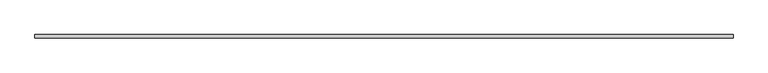
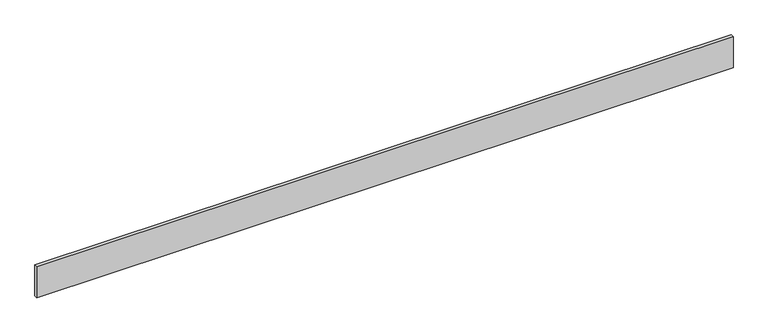
"""IFC4 building model written with IfcOpenShell, lengths in millimetres: furniture geometry."""

import ifcopenshell
import ifcopenshell.guid

model = None  # the IFC model being written
_history = None  # IfcOwnerHistory: only IFC2X3 demands one
_inside = {}  # id of a spatial element -> (the spatial element, [elements in it])
_under = {}  # id of a project, library or spatial element -> (it, [spatial elements below it])
_declared = {}  # id of a project -> (the project, [libraries it declares])
_typed = {}  # id of a type object -> (the type object, [elements of that type])
_made_of = {}  # id of a material, layer set ... -> (it, [elements and type objects made of it])


def new_model(schema):
    """Start an empty IFC model of exactly this schema.

    Asked for "IFC4X3", IfcOpenShell would pick the latest addendum, in which some entities
    have other attributes; the version numbers below select the first issue.
    IFC2X3 requires an IfcOwnerHistory on every rooted entity: one is made here for all.
    """
    global model, _history
    if schema == "IFC4X3":
        model = ifcopenshell.file(schema_version=(4, 3, 0, 0))
    else:
        model = ifcopenshell.file(schema=schema)
    _inside.clear()
    _under.clear()
    _declared.clear()
    _typed.clear()
    _made_of.clear()
    _history = None
    if model.schema == "IFC2X3":
        org = make("IfcOrganization", Name="unknown")
        user = make(
            "IfcPersonAndOrganization",
            ThePerson=make("IfcPerson", FamilyName="unknown"),
            TheOrganization=org,
        )
        app = make(
            "IfcApplication",
            ApplicationDeveloper=org,
            Version="unknown",
            ApplicationFullName="unknown",
            ApplicationIdentifier="unknown",
        )
        _history = make(
            "IfcOwnerHistory",
            OwningUser=user,
            OwningApplication=app,
            ChangeAction="ADDED",
            CreationDate=0,
        )
    return model


def make(cls, **values):
    """One entity of the class cls with the attributes given. An attribute that is None is left unset."""
    return model.create_entity(
        cls, **{name: value for name, value in values.items() if value is not None}
    )


def rooted(cls, **values):
    """An entity with a GlobalId (a new one), such as an element, a storey or a relation."""
    return make(cls, GlobalId=ifcopenshell.guid.new(), OwnerHistory=_history, **values)


def si_unit(unit_type, name, prefix=None):
    """IfcSIUnit, for example si_unit("LENGTHUNIT", "METRE", prefix="MILLI")."""
    return make("IfcSIUnit", UnitType=unit_type, Prefix=prefix, Name=name)


def assignment(units):
    """IfcUnitAssignment: the units of a project."""
    return None if units is None else make("IfcUnitAssignment", Units=units)


def point(xyz):
    """IfcCartesianPoint."""
    return None if xyz is None else make("IfcCartesianPoint", Coordinates=xyz)


def direction(xyz):
    """IfcDirection."""
    return None if xyz is None else make("IfcDirection", DirectionRatios=xyz)


def frame(location, z_axis=None, x_axis=None):
    """IfcAxis2Placement3D, a coordinate frame: its origin and axes. An axis left out is left unset."""
    return make(
        "IfcAxis2Placement3D",
        Location=point(location),
        Axis=direction(z_axis),
        RefDirection=direction(x_axis),
    )


def origin():
    """The frame at (0, 0, 0) with its axes left unset."""
    return frame((0.0, 0.0, 0.0))


def origin_with_axes():
    """The frame at (0, 0, 0) with the z axis (0, 0, 1) and the x axis (1, 0, 0) written out."""
    return frame((0.0, 0.0, 0.0), z_axis=(0.0, 0.0, 1.0), x_axis=(1.0, 0.0, 0.0))


def place(relative_to, where):
    """IfcLocalPlacement: puts the frame where relative to a parent placement (None: the world)."""
    return make(
        "IfcLocalPlacement", PlacementRelTo=relative_to, RelativePlacement=where
    )


def context(
    kind, dimensions, precision=None, world=None, true_north=None, identifier=None
):
    """IfcGeometricRepresentationContext, for example the 3D "Model" context."""
    return make(
        "IfcGeometricRepresentationContext",
        ContextIdentifier=identifier,
        ContextType=kind,
        CoordinateSpaceDimension=dimensions,
        Precision=precision,
        WorldCoordinateSystem=world,
        TrueNorth=true_north,
    )


def project(units=None, contexts=None):
    """IfcProject with its units and contexts."""
    return rooted(
        "IfcProject",
        Name="project",
        RepresentationContexts=contexts,
        UnitsInContext=assignment(units),
    )


def spatial(cls, under=None, at=None, **own):
    """A site, building, storey or space (cls), placed at a placement, below another one or the project."""
    s = rooted(cls, ObjectPlacement=at, **own)
    if under is not None:
        _under.setdefault(under.id(), (under, []))[1].append(s)
    return s


def polyline(points):
    """IfcPolyline through the points."""
    return make("IfcPolyline", Points=[point(p) for p in points])


def outline(outer, holes=None, kind="AREA"):
    """IfcArbitraryClosedProfileDef: a profile drawn as a closed curve; with holes, ...WithVoids."""
    if holes is None:
        return make("IfcArbitraryClosedProfileDef", ProfileType=kind, OuterCurve=outer)
    return make(
        "IfcArbitraryProfileDefWithVoids",
        ProfileType=kind,
        OuterCurve=outer,
        InnerCurves=holes,
    )


def extrude(swept, where, along, depth):
    """IfcExtrudedAreaSolid: the profile swept, set in the frame where, extruded along a direction by depth."""
    return make(
        "IfcExtrudedAreaSolid",
        SweptArea=swept,
        Position=where,
        ExtrudedDirection=direction(along),
        Depth=depth,
    )


def shape(context_of_items, identifier, shape_type, items):
    """IfcShapeRepresentation: the items that make up one representation, for example the "Body"."""
    return make(
        "IfcShapeRepresentation",
        ContextOfItems=context_of_items,
        RepresentationIdentifier=identifier,
        RepresentationType=shape_type,
        Items=items,
    )


def source(mapping_origin, context_of_items, identifier, shape_type, items):
    """IfcRepresentationMap: a shape defined once, which mapped items show again and again."""
    return make(
        "IfcRepresentationMap",
        MappingOrigin=mapping_origin,
        MappedRepresentation=shape(context_of_items, identifier, shape_type, items),
    )


def transform(
    local_origin,
    x_axis=None,
    y_axis=None,
    z_axis=None,
    scale=None,
    scale2=None,
    scale3=None,
    uniform=True,
):
    """IfcCartesianTransformationOperator3D, or its non-uniform kind. x_axis, y_axis, z_axis: its Axis1, 2, 3."""
    if uniform:
        return make(
            "IfcCartesianTransformationOperator3D",
            Axis1=direction(x_axis),
            Axis2=direction(y_axis),
            LocalOrigin=point(local_origin),
            Scale=scale,
            Axis3=direction(z_axis),
        )
    return make(
        "IfcCartesianTransformationOperator3DnonUniform",
        Axis1=direction(x_axis),
        Axis2=direction(y_axis),
        LocalOrigin=point(local_origin),
        Scale=scale,
        Axis3=direction(z_axis),
        Scale2=scale2,
        Scale3=scale3,
    )


def mapped(mapping_source, mapping_target):
    """IfcMappedItem: shows the shape of a source again, moved by a transform."""
    return make(
        "IfcMappedItem", MappingSource=mapping_source, MappingTarget=mapping_target
    )


def made_of(thing, what):
    """Note that an element or type object is made of a material, layer set ...; save() writes the relation."""
    if what is not None:
        _made_of.setdefault(what.id(), (what, []))[1].append(thing)
    return thing


def element(
    cls,
    number,
    at=None,
    inside=None,
    cuts=None,
    type_object=None,
    material=None,
    context=None,
    identifier="Body",
    shape_type=None,
    held_by="IfcProductDefinitionShape",
    body=None,
    shapes=None,
    **own,
):
    """One element of the class cls, such as IfcWall. Its Tag is "e" and its number.

    at: its placement. inside: the storey or other place that contains it. cuts: it is an
    opening in that element (IfcRelVoidsElement). A single representation is given by context,
    identifier, shape_type and body (its items); several are given by shapes. held_by: the class
    of the entity that holds the representations. save() writes the other relations.
    """
    e = rooted(cls, Tag="e%d" % number, ObjectPlacement=at, **own)
    if body is not None:
        shapes = [shape(context, identifier, shape_type, body)]
    if shapes is not None:
        e.Representation = make(held_by, Representations=shapes)
    if inside is not None:
        _inside.setdefault(inside.id(), (inside, []))[1].append(e)
    if cuts is not None:
        rooted(
            "IfcRelVoidsElement", RelatingBuildingElement=cuts, RelatedOpeningElement=e
        )
    if type_object is not None:
        _typed.setdefault(type_object.id(), (type_object, []))[1].append(e)
    return made_of(e, material)


def aggregate(whole, parts):
    """IfcRelAggregates: a whole, such as a stair, and the parts it consists of."""
    return rooted("IfcRelAggregates", RelatingObject=whole, RelatedObjects=parts)


def save(model, path):
    """Write the relations noted so far, then the file.

    IfcRelAggregates (storeys below a building ...), IfcRelContainedInSpatialStructure (elements
    in a storey), IfcRelDefinesByType, IfcRelAssociatesMaterial and IfcRelDeclares: one each for
    every whole, place, type object, material and project.
    """
    for whole, parts in _under.values():
        aggregate(whole, parts)
    for where, things in _inside.values():
        rooted(
            "IfcRelContainedInSpatialStructure",
            RelatedElements=things,
            RelatingStructure=where,
        )
    for kind, things in _typed.values():
        rooted("IfcRelDefinesByType", RelatedObjects=things, RelatingType=kind)
    for what, things in _made_of.values():
        rooted("IfcRelAssociatesMaterial", RelatedObjects=things, RelatingMaterial=what)
    for by, libraries in _declared.values():
        rooted("IfcRelDeclares", RelatingContext=by, RelatedDefinitions=libraries)
    model.write(path)


def furniture_a99c79be(model_context):
    return source(origin(), model_context, "Body", "SweptSolid", [
        extrude(outline(polyline([(0.0, 0.0), (0.0, 10.0), (2135.6665477, 10.0), (2135.6665477, 0.0), (0.0, 0.0)])), origin_with_axes(), (0.0, 0.0, 1.0), 100.0),
    ])


if __name__ == "__main__":
    model = new_model("IFC4")
    model_context = context("Model", 3, world=origin())
    ifc_project = project(units=[si_unit("LENGTHUNIT", "METRE", prefix="MILLI")], contexts=[model_context])
    site = spatial("IfcSite", under=ifc_project)
    building = spatial("IfcBuilding", under=site)
    placement = place(None, origin())
    furniture_shape = furniture_a99c79be(model_context)
    element("IfcFurniture", 1, at=placement, inside=building, context=model_context, shape_type="MappedRepresentation", body=[
        mapped(furniture_shape, transform((0.0, 0.0, 0.0), x_axis=(1.0, 0.0, 0.0), y_axis=(0.0, 1.0, 0.0), z_axis=(0.0, 0.0, 1.0))),
    ])
    save(model, "model.ifc")
